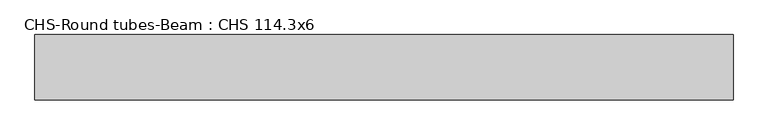
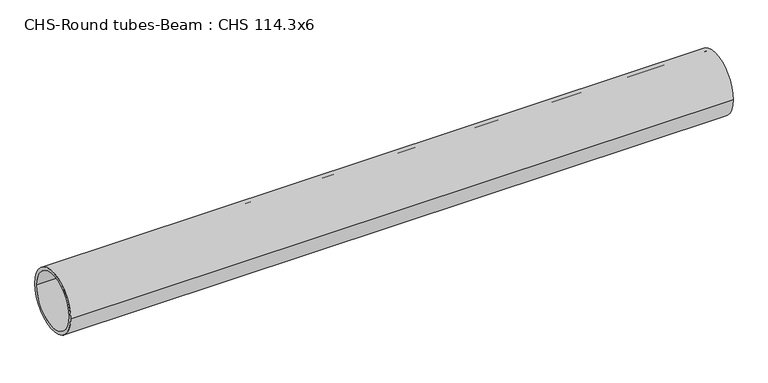
"""IFC4 building model written with IfcOpenShell, lengths in millimetres: beam geometry, CHS-Round tubes-Beam : CHS 114.3x6."""

from ifc_helpers import new_model, si_unit, point, frame, origin, origin_2d, place, context, project, spatial, circle_curve, trimmed, segment, composite_curve, outline, extrude, source, transform, mapped, element, save


def chs_round_tubes_beam_chs_114_3x6_e9ac51f0(model_context):
    return source(origin(), model_context, "Body", "SweptSolid", [
        extrude(outline(composite_curve([segment(trimmed(circle_curve(origin_2d(), 57.15), [point((57.15, 0.0))], [point((-57.15, 0.0))], False, "CARTESIAN"), True, "CONTINUOUS"), segment(trimmed(circle_curve(origin_2d(), 57.15), [point((-57.15, 0.0))], [point((57.15, 0.0))], False, "CARTESIAN"), True, "CONTINUOUS")], self_intersect=False), holes=[composite_curve([segment(trimmed(circle_curve(origin_2d(), 51.15), [point((51.15, 0.0))], [point((-51.15, 0.0))], True, "CARTESIAN"), True, "CONTINUOUS"), segment(trimmed(circle_curve(origin_2d(), 51.15), [point((-51.15, 0.0))], [point((51.15, 0.0))], True, "CARTESIAN"), True, "CONTINUOUS")], self_intersect=False)]), frame((-636.2046852, 0.0, 0.0), z_axis=(1.0, 0.0, 0.0), x_axis=(0.0, 1.0, 0.0)), (0.0, 0.0, 1.0), 1222.3190765),
    ])


if __name__ == "__main__":
    model = new_model("IFC4")
    model_context = context("Model", 3, world=origin())
    ifc_project = project(units=[si_unit("LENGTHUNIT", "METRE", prefix="MILLI")], contexts=[model_context])
    site = spatial("IfcSite", under=ifc_project)
    building = spatial("IfcBuilding", under=site)
    placement = place(None, origin())
    chs_round_tubes_beam_chs_114_3x6_shape = chs_round_tubes_beam_chs_114_3x6_e9ac51f0(model_context)
    element("IfcBeam", 1, ObjectType="CHS-Round tubes-Beam : CHS 114.3x6", at=placement, inside=building, context=model_context, shape_type="MappedRepresentation", body=[
        mapped(chs_round_tubes_beam_chs_114_3x6_shape, transform((0.0, 0.0, 0.0), x_axis=(1.0, 0.0, 0.0), y_axis=(0.0, 1.0, 0.0), z_axis=(0.0, 0.0, 1.0))),
    ])
    save(model, "model.ifc")
